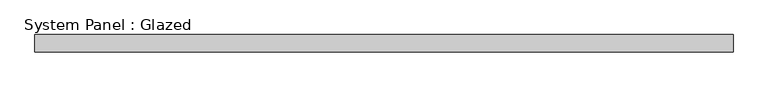
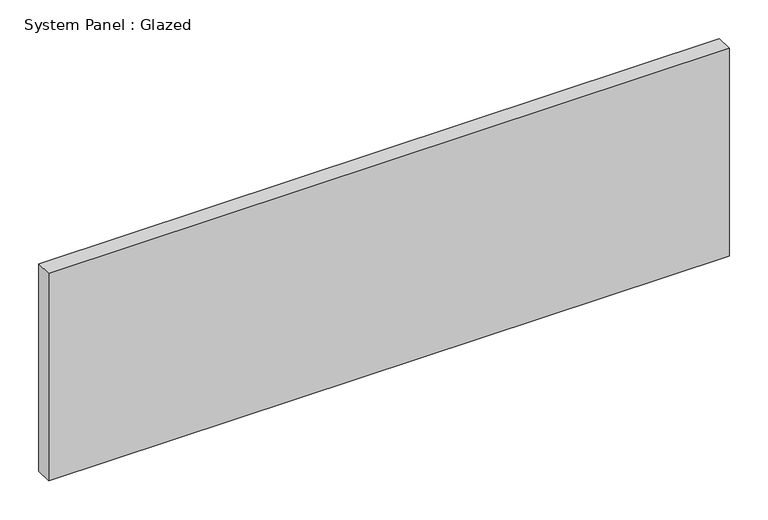
"""IFC4 building model written with IfcOpenShell, lengths in millimetres: plate geometry, System Panel : Glazed."""

from ifc_helpers import new_model, si_unit, origin, origin_with_axes, place, context, project, spatial, polyline, outline, extrude, source, transform, mapped, element, save


def system_panel_glazed_02d3651c(model_context):
    return source(origin(), model_context, "Body", "SweptSolid", [
        extrude(outline(polyline([(508.0, 19.05), (-508.0, 19.05), (-508.0, 44.45), (508.0, 44.45), (508.0, 19.05)])), origin_with_axes(), (0.0, 0.0, 1.0), 327.4785714),
    ])


if __name__ == "__main__":
    model = new_model("IFC4")
    model_context = context("Model", 3, world=origin())
    ifc_project = project(units=[si_unit("LENGTHUNIT", "METRE", prefix="MILLI")], contexts=[model_context])
    site = spatial("IfcSite", under=ifc_project)
    building = spatial("IfcBuilding", under=site)
    placement = place(None, origin())
    system_panel_glazed_shape = system_panel_glazed_02d3651c(model_context)
    element("IfcPlate", 1, ObjectType="System Panel : Glazed", at=placement, inside=building, context=model_context, shape_type="MappedRepresentation", body=[
        mapped(system_panel_glazed_shape, transform((0.0, 0.0, 0.0), x_axis=(1.0, 0.0, 0.0), y_axis=(0.0, 1.0, 0.0), z_axis=(0.0, 0.0, 1.0))),
    ])
    save(model, "model.ifc")
